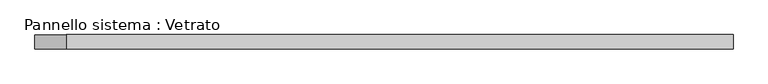
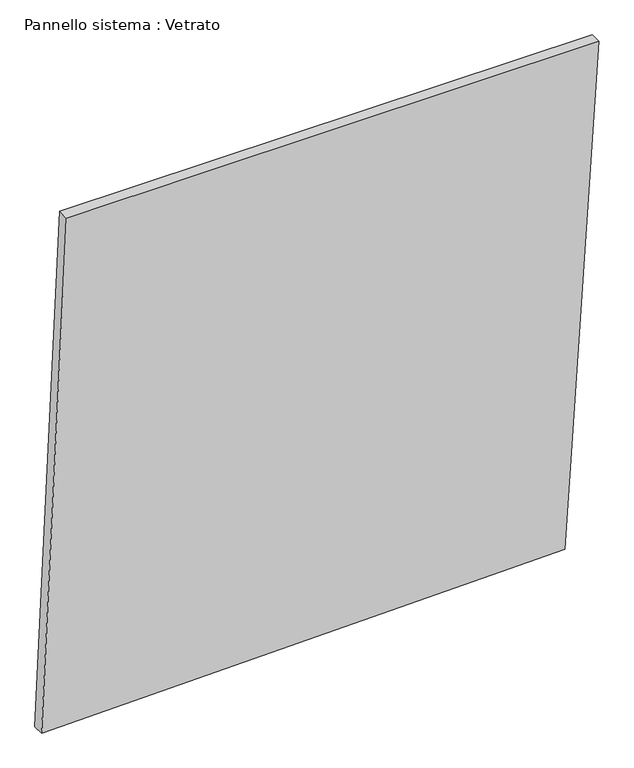
"""IFC4 building model written with IfcOpenShell, lengths in millimetres: plate geometry, Pannello sistema : Vetrato."""

from ifc_helpers import new_model, si_unit, frame, origin, place, context, project, spatial, polyline, outline, extrude, source, transform, mapped, element, save


def pannello_sistema_vetrato_d16b2303(model_context):
    return source(origin(), model_context, "Body", "SweptSolid", [
        extrude(outline(polyline([(0.0, -728.8895743), (29.111649, 640.2816182), (1400.4922105, 728.8895743), (1400.3078661, -663.7171522), (0.0, -728.8895743)])), frame((0.0, -15.0, 0.0), z_axis=(0.0, 1.0, 0.0), x_axis=(0.0, 0.0, 1.0)), (0.0, 0.0, 1.0), 30.0),
    ])


if __name__ == "__main__":
    model = new_model("IFC4")
    model_context = context("Model", 3, world=origin())
    ifc_project = project(units=[si_unit("LENGTHUNIT", "METRE", prefix="MILLI")], contexts=[model_context])
    site = spatial("IfcSite", under=ifc_project)
    building = spatial("IfcBuilding", under=site)
    placement = place(None, origin())
    pannello_sistema_vetrato_shape = pannello_sistema_vetrato_d16b2303(model_context)
    element("IfcPlate", 1, ObjectType="Pannello sistema : Vetrato", at=placement, inside=building, context=model_context, shape_type="MappedRepresentation", body=[
        mapped(pannello_sistema_vetrato_shape, transform((0.0, 0.0, 0.0), x_axis=(1.0, 0.0, 0.0), y_axis=(0.0, 1.0, 0.0), z_axis=(0.0, 0.0, 1.0))),
    ])
    save(model, "model.ifc")
